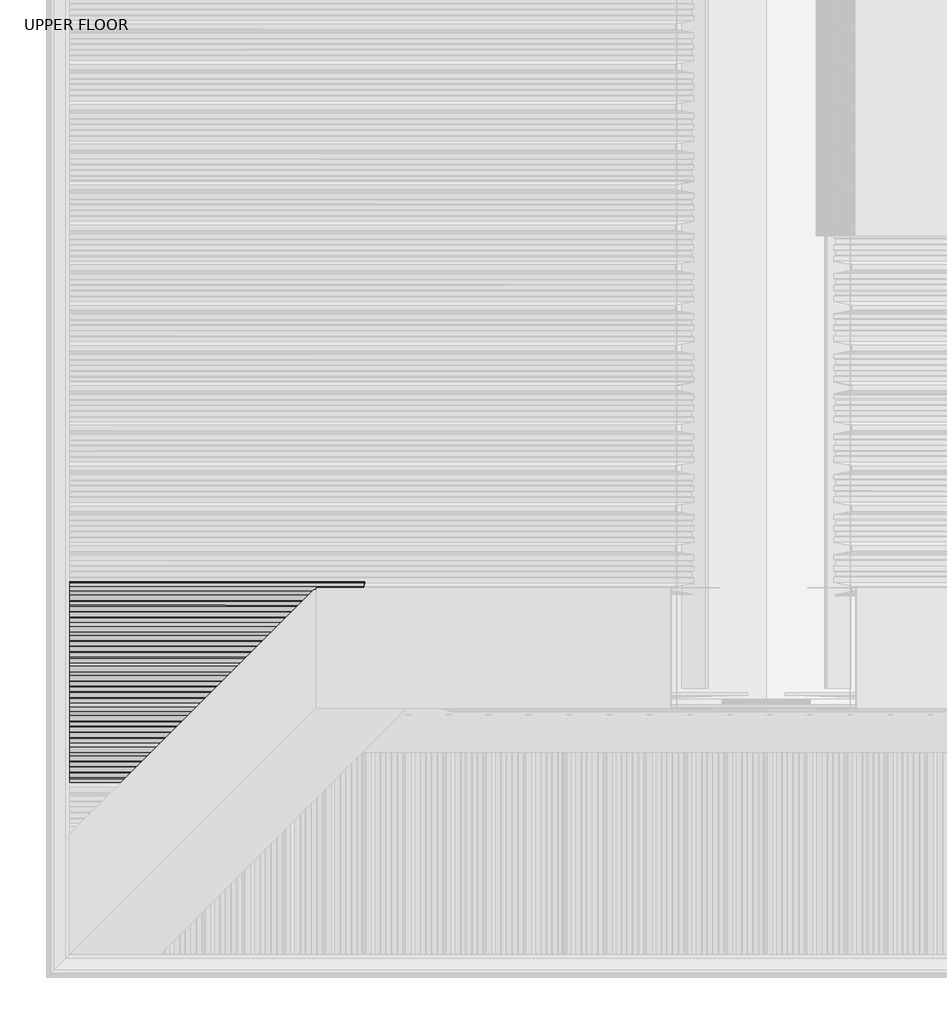
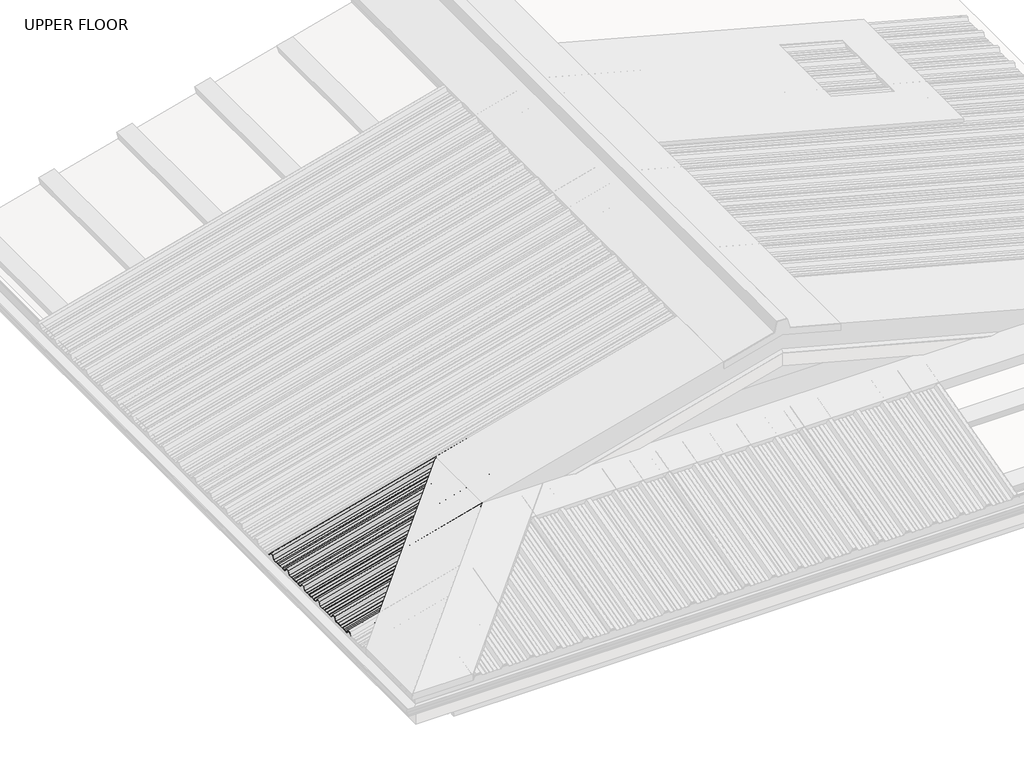
# One storey, part 3 of 18: 1 beam.
"""IFC4 building model written with IfcOpenShell, lengths in millimetres."""

from ifc_helpers import new_model, si_unit, frame, origin, place, context, project, spatial, circle_curve, ellipse_curve, element, save
from ifc_brep_helpers import plane_surface, cylinder_surface, advanced_brep

model = new_model("IFC4")

# Units and contexts
model_context = context("Model", 3, world=origin())
ifc_project = project(units=[si_unit("LENGTHUNIT", "METRE", prefix="MILLI")], contexts=[model_context])

# Site, building, storey
site = spatial("IfcSite", under=ifc_project)
building = spatial("IfcBuilding", under=site)
storey = spatial("IfcBuildingStorey", under=building, Name="UPPER FLOOR", Elevation=2700.0)

# Beam
placement = place(None, origin())
element("IfcBeam", 1, at=placement, inside=storey, context=model_context, shape_type="AdvancedBrep", body=[
    advanced_brep(
    [(510.9826498, -3553.8599507, 3570.0442521), (510.4650117, -3549.7333487, 3571.9761038), (510.4650117, -3532.1265136, 3571.9761038), (510.9826498, -3528.8623496, 3570.0442521), (510.9826498, -3510.0893759, 3570.0442521), (510.4650117, -3507.0479174, 3571.9761038), (510.4650117, -3491.3821135, 3571.9761038), (510.9826498, -3488.3384716, 3570.0442521), (510.9826498, -3468.0160332, 3570.0442521), (506.323907, -3454.5166428, 3587.430917), (506.323907, -3435.5154236, 3587.430917), (510.9826498, -3422.0160332, 3570.0442521), (510.9826498, -3403.8599507, 3570.0442521), (510.4650117, -3399.7333487, 3571.9761038), (510.4650117, -3382.1265136, 3571.9761038), (510.9826498, -3378.8623496, 3570.0442521), (510.9826498, -3360.0893759, 3570.0442521), (510.4650117, -3357.0479174, 3571.9761038), (510.4650117, -3341.3821135, 3571.9761038), (510.9826498, -3338.3384716, 3570.0442521), (510.9826498, -3318.0160332, 3570.0442521), (506.323907, -3304.5166428, 3587.430917), (506.323907, -3285.5154236, 3587.430917), (510.4650117, -3273.5159654, 3571.9761038), (510.4650117, -3269.8426482, 3571.9761038), (510.2061927, -3269.8426482, 3572.9420296), (510.2061927, -3273.016575, 3572.9420296), (506.0650879, -3285.0160332, 3588.3968428), (506.0650879, -3305.0160332, 3588.3968428), (510.7238308, -3318.5154236, 3571.0101779), (510.7238308, -3338.0393206, 3571.0101779), (510.2061927, -3341.0829625, 3572.9420296), (510.2061927, -3357.3472479, 3572.9420296), (510.7238308, -3360.3887064, 3571.0101779), (510.7238308, -3378.5803543, 3571.0101779), (510.2061927, -3381.8445183, 3572.9420296), (510.2061927, -3399.9629086, 3572.9420296), (510.7238308, -3404.0895106, 3571.0101779), (510.7238308, -3421.5166428, 3571.0101779), (506.0650879, -3435.0160332, 3588.3968428), (506.0650879, -3455.0160332, 3588.3968428), (510.7238308, -3468.5154236, 3571.0101779), (510.7238308, -3488.0393206, 3571.0101779), (510.2061927, -3491.0829625, 3572.9420296), (510.2061927, -3507.3472479, 3572.9420296), (510.7238308, -3510.3887064, 3571.0101779), (510.7238308, -3528.5803543, 3571.0101779), (510.2061927, -3531.8445183, 3572.9420296), (510.2061927, -3549.9629086, 3572.9420296), (510.7238308, -3554.0895106, 3571.0101779), (510.7238308, -3555.9027405, 3571.0101779), (510.9826498, -3555.6439214, 3570.0442521), (212.7666205, -3853.8599507, 3490.1375079), (194.610538, -3872.0160332, 3485.2726003), (-592.3448479, -3872.0160332, 3274.4085401), (-592.3448479, -3853.8599507, 3274.4085401), (216.8932225, -3849.7333487, 3493.3137799), (-592.3448479, -3849.7333487, 3276.4790925), (234.5000576, -3832.1265136, 3498.0315172), (-592.3448479, -3832.1265136, 3276.4790925), (237.7642216, -3828.8623496, 3496.8355949), (-592.3448479, -3828.8623496, 3274.4085401), (256.5371953, -3810.0893759, 3501.8657981), (-592.3448479, -3810.0893759, 3274.4085401), (259.5786538, -3807.0479174, 3504.7513068), (-592.3448479, -3807.0479174, 3276.4790925), (275.2444577, -3791.3821135, 3508.9489463), (-592.3448479, -3791.3821135, 3276.4790925), (278.2880996, -3788.3384716, 3507.6939353), (-592.3448479, -3788.3384716, 3274.4085401), (298.610538, -3768.0160332, 3513.1393163), (-592.3448479, -3768.0160332, 3274.4085401), (312.1099284, -3754.5166428, 3535.3914383), (-592.3448479, -3754.5166428, 3293.0435114), (331.1111477, -3735.5154236, 3540.4827996), (-592.3448479, -3735.5154236, 3293.0435114), (344.610538, -3722.0160332, 3525.4649791), (-592.3448479, -3722.0160332, 3274.4085401), (362.7666205, -3703.8599507, 3530.3298868), (-592.3448479, -3703.8599507, 3274.4085401), (366.8932225, -3699.7333487, 3533.5061588), (-592.3448479, -3699.7333487, 3276.4790925), (384.5000576, -3682.1265136, 3538.2238961), (-592.3448479, -3682.1265136, 3276.4790925), (387.7642216, -3678.8623496, 3537.0279738), (-592.3448479, -3678.8623496, 3274.4085401), (406.5371953, -3660.0893759, 3542.0581769), (-592.3448479, -3660.0893759, 3274.4085401), (409.5786538, -3657.0479174, 3544.9436857), (-592.3448479, -3657.0479174, 3276.4790925), (425.2444577, -3641.3821135, 3549.1413251), (-592.3448479, -3641.3821135, 3276.4790925), (428.2880996, -3638.3384716, 3547.8863142), (-592.3448479, -3638.3384716, 3274.4085401), (448.610538, -3618.0160332, 3553.3316951), (-592.3448479, -3618.0160332, 3274.4085401), (462.1099284, -3604.5166428, 3575.5838171), (-592.3448479, -3604.5166428, 3293.0435114), (481.1111477, -3585.5154236, 3580.6751785), (-592.3448479, -3585.5154236, 3293.0435114), (494.610538, -3572.0160332, 3565.657358), (-592.3448479, -3572.0160332, 3274.4085401), (-592.3448479, -3553.8599507, 3274.4085401), (-592.3448479, -3549.7333487, 3276.4790925), (-592.3448479, -3532.1265136, 3276.4790925), (-592.3448479, -3528.8623496, 3274.4085401), (-592.3448479, -3510.0893759, 3274.4085401), (-592.3448479, -3507.0479174, 3276.4790925), (-592.3448479, -3491.3821135, 3276.4790925), (-592.3448479, -3488.3384716, 3274.4085401), (-592.3448479, -3468.0160332, 3274.4085401), (-592.3448479, -3454.5166428, 3293.0435114), (-592.3448479, -3435.5154236, 3293.0435114), (-592.3448479, -3422.0160332, 3274.4085401), (-592.3448479, -3403.8599507, 3274.4085401), (-592.3448479, -3399.7333487, 3276.4790925), (-592.3448479, -3382.1265136, 3276.4790925), (-592.3448479, -3378.8623496, 3274.4085401), (-592.3448479, -3360.0893759, 3274.4085401), (-592.3448479, -3357.0479174, 3276.4790925), (-592.3448479, -3341.3821135, 3276.4790925), (-592.3448479, -3338.3384716, 3274.4085401), (-592.3448479, -3318.0160332, 3274.4085401), (-592.3448479, -3304.5166428, 3293.0435114), (-592.3448479, -3285.5154236, 3293.0435114), (-592.3448479, -3273.5159654, 3276.4790925), (-592.3448479, -3269.8426482, 3276.4790925), (-592.3448479, -3269.8426482, 3277.5143687), (-592.3448479, -3273.016575, 3277.5143687), (-592.3448479, -3285.0160332, 3294.0787875), (-592.3448479, -3305.0160332, 3294.0787875), (-592.3448479, -3318.5154236, 3275.4438163), (-592.3448479, -3338.0393206, 3275.4438163), (-592.3448479, -3341.0829625, 3277.5143687), (-592.3448479, -3357.3472479, 3277.5143687), (-592.3448479, -3360.3887064, 3275.4438163), (-592.3448479, -3378.5803543, 3275.4438163), (-592.3448479, -3381.8445183, 3277.5143687), (-592.3448479, -3399.9629086, 3277.5143687), (-592.3448479, -3404.0895106, 3275.4438163), (-592.3448479, -3421.5166428, 3275.4438163), (-592.3448479, -3435.0160332, 3294.0787875), (-592.3448479, -3455.0160332, 3294.0787875), (-592.3448479, -3468.5154236, 3275.4438163), (-592.3448479, -3488.0393206, 3275.4438163), (-592.3448479, -3491.0829625, 3277.5143687), (-592.3448479, -3507.3472479, 3277.5143687), (-592.3448479, -3510.3887064, 3275.4438163), (-592.3448479, -3528.5803543, 3275.4438163), (-592.3448479, -3531.8445183, 3277.5143687), (-592.3448479, -3549.9629086, 3277.5143687), (-592.3448479, -3554.0895106, 3275.4438163), (-592.3448479, -3571.5166428, 3275.4438163), (495.1099284, -3571.5166428, 3566.8264454), (481.610538, -3585.0160332, 3581.8442659), (-592.3448479, -3585.0160332, 3294.0787875), (461.610538, -3605.0160332, 3576.4852821), (-592.3448479, -3605.0160332, 3294.0787875), (448.1111477, -3618.5154236, 3554.2331601), (-592.3448479, -3618.5154236, 3275.4438163), (428.5872506, -3638.0393206, 3549.0017476), (-592.3448479, -3638.0393206, 3275.4438163), (425.5436087, -3641.0829625, 3550.2567586), (-592.3448479, -3641.0829625, 3277.5143687), (409.2793233, -3657.3472479, 3545.8987565), (-592.3448479, -3657.3472479, 3277.5143687), (406.2378648, -3660.3887064, 3543.0132478), (-592.3448479, -3660.3887064, 3275.4438163), (388.0462169, -3678.5803543, 3538.1388104), (-592.3448479, -3678.5803543, 3275.4438163), (384.7820529, -3681.8445183, 3539.3347326), (-592.3448479, -3681.8445183, 3277.5143687), (366.6636626, -3699.9629086, 3534.4799246), (-592.3448479, -3699.9629086, 3277.5143687), (362.5370606, -3704.0895106, 3531.3036526), (-592.3448479, -3704.0895106, 3275.4438163), (345.1099284, -3721.5166428, 3526.6340666), (-592.3448479, -3721.5166428, 3275.4438163), (331.610538, -3735.0160332, 3541.6518871), (-592.3448479, -3735.0160332, 3294.0787875), (311.610538, -3755.0160332, 3536.2929032), (-592.3448479, -3755.0160332, 3294.0787875), (298.1111477, -3768.5154236, 3514.0407812), (-592.3448479, -3768.5154236, 3275.4438163), (278.5872506, -3788.0393206, 3508.8093688), (-592.3448479, -3788.0393206, 3275.4438163), (275.5436087, -3791.0829625, 3510.0643797), (-592.3448479, -3791.0829625, 3277.5143687), (259.2793233, -3807.3472479, 3505.7063776), (-592.3448479, -3807.3472479, 3277.5143687), (256.2378648, -3810.3887064, 3502.8208689), (-592.3448479, -3810.3887064, 3275.4438163), (238.0462169, -3828.5803543, 3497.9464315), (-592.3448479, -3828.5803543, 3275.4438163), (234.7820529, -3831.8445183, 3499.1423538), (-592.3448479, -3831.8445183, 3277.5143687), (216.6636626, -3849.9629086, 3494.2875457), (-592.3448479, -3849.9629086, 3277.5143687), (212.5370606, -3854.0895106, 3491.1112737), (-592.3448479, -3854.0895106, 3275.4438163), (195.1099284, -3871.5166428, 3486.4416877), (-592.3448479, -3871.5166428, 3275.4438163), (181.610538, -3885.0160332, 3501.4595082), (-592.3448479, -3885.0160332, 3294.0787875), (161.610538, -3905.0160332, 3496.1005243), (-592.3448479, -3905.0160332, 3294.0787875), (148.1111477, -3918.5154236, 3473.8484023), (-592.3448479, -3918.5154236, 3275.4438163), (128.5872506, -3938.0393206, 3468.6169899), (-592.3448479, -3938.0393206, 3275.4438163), (125.5436087, -3941.0829625, 3469.8720009), (-592.3448479, -3941.0829625, 3277.5143687), (109.2793233, -3957.3472479, 3465.5139987), (-592.3448479, -3957.3472479, 3277.5143687), (106.2378648, -3960.3887064, 3462.62849), (-592.3448479, -3960.3887064, 3275.4438163), (88.0462169, -3978.5803543, 3457.7540526), (-592.3448479, -3978.5803543, 3275.4438163), (84.7820529, -3981.8445183, 3458.9499749), (-592.3448479, -3981.8445183, 3277.5143687), (66.6636626, -3999.9629086, 3454.0951669), (-592.3448479, -3999.9629086, 3277.5143687), (62.5370606, -4004.0895106, 3450.9188948), (-592.3448479, -4004.0895106, 3275.4438163), (42.6099691, -4024.0166021, 3445.5794467), (-592.3448479, -4024.0166021, 3275.4438163), (30.610511, -4036.0160603, 3458.9286205), (-592.3448479, -4036.0160603, 3292.0082352), (12.6105651, -4054.0160061, 3454.1055496), (-592.3448479, -4054.0160061, 3292.0082352), (181.1111477, -3885.5154236, 3500.2904208), (-592.3448479, -3885.5154236, 3293.0435114), (0.9532948, -4065.6732765, 3434.8899409), (-592.3448479, -4065.6732765, 3275.9161827), (1.7529089, -4064.8736623, 3434.4833588), (-592.3448479, -4064.8736623, 3275.2953446), (13.1099555, -4053.5166157, 3453.2040846), (-592.3448479, -4053.5166157, 3290.972959), (30.1111206, -4036.5154506, 3457.7595331), (-592.3448479, -4036.5154506, 3290.972959), (42.1105787, -4024.5159925, 3444.4103593), (-592.3448479, -4024.5159925, 3274.4085401), (62.7666205, -4003.8599507, 3449.945129), (-592.3448479, -4003.8599507, 3274.4085401), (66.8932225, -3999.7333487, 3453.1214011), (-592.3448479, -3999.7333487, 3276.4790925), (84.5000576, -3982.1265136, 3457.8391383), (-592.3448479, -3982.1265136, 3276.4790925), (87.7642216, -3978.8623496, 3456.6432161), (-592.3448479, -3978.8623496, 3274.4085401), (106.5371953, -3960.0893759, 3461.6734192), (-592.3448479, -3960.0893759, 3274.4085401), (109.5786538, -3957.0479174, 3464.5589279), (-592.3448479, -3957.0479174, 3276.4790925), (125.2444577, -3941.3821135, 3468.7565674), (-592.3448479, -3941.3821135, 3276.4790925), (128.2880996, -3938.3384716, 3467.5015564), (-592.3448479, -3938.3384716, 3274.4085401), (148.610538, -3918.0160332, 3472.9469374), (-592.3448479, -3918.0160332, 3274.4085401), (162.1099284, -3904.5166428, 3495.1990594), (-592.3448479, -3904.5166428, 3293.0435114)],
    [
        (0, 1),
        (1, 2),
        (2, 3),
        (3, 4),
        (4, 5),
        (5, 6),
        (6, 7),
        (7, 8),
        (8, 9),
        (9, 10),
        (10, 11),
        (11, 12),
        (12, 13),
        (13, 14),
        (14, 15),
        (15, 16),
        (16, 17),
        (17, 18),
        (18, 19),
        (19, 20),
        (20, 21),
        (21, 22),
        (22, 23),
        (23, 24),
        (24, 25, circle_curve(frame((510.3356022, -3269.8426482, 3572.4590667), z_axis=(0.9659258262890683, 0.0, 0.2588190451025208), x_axis=(0.0, 1.0, 0.0)), 0.5)),
        (25, 26),
        (26, 27),
        (27, 28),
        (28, 29),
        (29, 30),
        (30, 31),
        (31, 32),
        (32, 33),
        (33, 34),
        (34, 35),
        (35, 36),
        (36, 37),
        (37, 38),
        (38, 39),
        (39, 40),
        (40, 41),
        (41, 42),
        (42, 43),
        (43, 44),
        (44, 45),
        (45, 46),
        (46, 47),
        (47, 48),
        (48, 49),
        (49, 50),
        (50, 51),
        (51, 0),
        (52, 53),
        (53, 54),
        (54, 55),
        (55, 52),
        (56, 52),
        (55, 57),
        (57, 56),
        (58, 56),
        (57, 59),
        (59, 58),
        (60, 58),
        (59, 61),
        (61, 60),
        (62, 60),
        (61, 63),
        (63, 62),
        (64, 62),
        (63, 65),
        (65, 64),
        (66, 64),
        (65, 67),
        (67, 66),
        (68, 66),
        (67, 69),
        (69, 68),
        (70, 68),
        (69, 71),
        (71, 70),
        (72, 70),
        (71, 73),
        (73, 72),
        (74, 72),
        (73, 75),
        (75, 74),
        (76, 74),
        (75, 77),
        (77, 76),
        (78, 76),
        (77, 79),
        (79, 78),
        (80, 78),
        (79, 81),
        (81, 80),
        (82, 80),
        (81, 83),
        (83, 82),
        (84, 82),
        (83, 85),
        (85, 84),
        (86, 84),
        (85, 87),
        (87, 86),
        (88, 86),
        (87, 89),
        (89, 88),
        (90, 88),
        (89, 91),
        (91, 90),
        (92, 90),
        (91, 93),
        (93, 92),
        (94, 92),
        (93, 95),
        (95, 94),
        (96, 94),
        (95, 97),
        (97, 96),
        (98, 96),
        (97, 99),
        (99, 98),
        (100, 98),
        (99, 101),
        (101, 100),
        (51, 100),
        (101, 102),
        (102, 0),
        (102, 103),
        (103, 1),
        (103, 104),
        (104, 2),
        (104, 105),
        (105, 3),
        (105, 106),
        (106, 4),
        (106, 107),
        (107, 5),
        (107, 108),
        (108, 6),
        (108, 109),
        (109, 7),
        (109, 110),
        (110, 8),
        (110, 111),
        (111, 9),
        (111, 112),
        (112, 10),
        (112, 113),
        (113, 11),
        (113, 114),
        (114, 12),
        (114, 115),
        (115, 13),
        (115, 116),
        (116, 14),
        (116, 117),
        (117, 15),
        (117, 118),
        (118, 16),
        (118, 119),
        (119, 17),
        (119, 120),
        (120, 18),
        (120, 121),
        (121, 19),
        (121, 122),
        (122, 20),
        (122, 123),
        (123, 21),
        (123, 124),
        (124, 22),
        (124, 125),
        (125, 23),
        (125, 126),
        (126, 24),
        (126, 127, ellipse_curve(frame((-592.3448479, -3269.8426482, 3276.9967306), z_axis=(1.0, 0.0, 0.0), x_axis=(0.0, 0.0, 1.0)), 0.5176381, 0.5)),
        (127, 25),
        (127, 128),
        (128, 26),
        (128, 129),
        (129, 27),
        (129, 130),
        (130, 28),
        (130, 131),
        (131, 29),
        (131, 132),
        (132, 30),
        (132, 133),
        (133, 31),
        (133, 134),
        (134, 32),
        (134, 135),
        (135, 33),
        (135, 136),
        (136, 34),
        (136, 137),
        (137, 35),
        (137, 138),
        (138, 36),
        (138, 139),
        (139, 37),
        (139, 140),
        (140, 38),
        (140, 141),
        (141, 39),
        (141, 142),
        (142, 40),
        (142, 143),
        (143, 41),
        (143, 144),
        (144, 42),
        (144, 145),
        (145, 43),
        (145, 146),
        (146, 44),
        (146, 147),
        (147, 45),
        (147, 148),
        (148, 46),
        (148, 149),
        (149, 47),
        (149, 150),
        (150, 48),
        (150, 151),
        (151, 49),
        (151, 152),
        (152, 153),
        (153, 50),
        (154, 153),
        (152, 155),
        (155, 154),
        (156, 154),
        (155, 157),
        (157, 156),
        (158, 156),
        (157, 159),
        (159, 158),
        (160, 158),
        (159, 161),
        (161, 160),
        (162, 160),
        (161, 163),
        (163, 162),
        (164, 162),
        (163, 165),
        (165, 164),
        (166, 164),
        (165, 167),
        (167, 166),
        (168, 166),
        (167, 169),
        (169, 168),
        (170, 168),
        (169, 171),
        (171, 170),
        (172, 170),
        (171, 173),
        (173, 172),
        (174, 172),
        (173, 175),
        (175, 174),
        (176, 174),
        (175, 177),
        (177, 176),
        (178, 176),
        (177, 179),
        (179, 178),
        (180, 178),
        (179, 181),
        (181, 180),
        (182, 180),
        (181, 183),
        (183, 182),
        (184, 182),
        (183, 185),
        (185, 184),
        (186, 184),
        (185, 187),
        (187, 186),
        (188, 186),
        (187, 189),
        (189, 188),
        (190, 188),
        (189, 191),
        (191, 190),
        (192, 190),
        (191, 193),
        (193, 192),
        (194, 192),
        (193, 195),
        (195, 194),
        (196, 194),
        (195, 197),
        (197, 196),
        (198, 196),
        (197, 199),
        (199, 198),
        (200, 198),
        (199, 201),
        (201, 200),
        (202, 200),
        (201, 203),
        (203, 202),
        (204, 202),
        (203, 205),
        (205, 204),
        (206, 204),
        (205, 207),
        (207, 206),
        (208, 206),
        (207, 209),
        (209, 208),
        (210, 208),
        (209, 211),
        (211, 210),
        (212, 210),
        (211, 213),
        (213, 212),
        (214, 212),
        (213, 215),
        (215, 214),
        (216, 214),
        (215, 217),
        (217, 216),
        (218, 216),
        (217, 219),
        (219, 218),
        (220, 218),
        (219, 221),
        (221, 220),
        (222, 220),
        (221, 223),
        (223, 222),
        (224, 222),
        (223, 225),
        (225, 224),
        (226, 224),
        (225, 227),
        (227, 226),
        (228, 226),
        (227, 229),
        (229, 228),
        (53, 230),
        (230, 231),
        (231, 54),
        (232, 228),
        (229, 233),
        (233, 232),
        (234, 232, ellipse_curve(frame((1.3531018, -4065.2734694, 3434.6866499), z_axis=(-0.7071067811865475, 0.7071067811865476, 0.0), x_axis=(0.6612248329466448, 0.6612248329466447, 0.3543493200069156)), 0.7316859, 0.4997507)),
        (233, 235, ellipse_curve(frame((-592.3448479, -4065.2734694, 3275.6057637), z_axis=(1.0, 0.0, 0.0), x_axis=(0.0, 0.0, 1.0)), 0.51738, 0.4997507)),
        (235, 234),
        (236, 234),
        (235, 237),
        (237, 236),
        (238, 236),
        (237, 239),
        (239, 238),
        (240, 238),
        (239, 241),
        (241, 240),
        (242, 240),
        (241, 243),
        (243, 242),
        (244, 242),
        (243, 245),
        (245, 244),
        (246, 244),
        (245, 247),
        (247, 246),
        (248, 246),
        (247, 249),
        (249, 248),
        (250, 248),
        (249, 251),
        (251, 250),
        (252, 250),
        (251, 253),
        (253, 252),
        (254, 252),
        (253, 255),
        (255, 254),
        (256, 254),
        (255, 257),
        (257, 256),
        (258, 256),
        (257, 259),
        (259, 258),
        (260, 258),
        (259, 261),
        (261, 260),
        (230, 260),
        (261, 231),
    ],
    [
        plane_surface(frame((506.323907, -3885.5154236, 3587.430917), z_axis=(0.9659258262890683, 0.0, 0.25881904510252085), x_axis=(0.2070586020545867, 0.5999826594493568, -0.7727532230118989))),
        plane_surface(frame((510.9826498, -3872.0160332, 3570.0442521), z_axis=(0.2588190451025208, 0.0, -0.9659258262890683), x_axis=(-0.9659258262890683, 0.0, -0.2588190451025208))),
        plane_surface(frame((510.9826498, -3853.8599507, 3570.0442521), z_axis=(0.2329062346857397, 0.43613636169978626, -0.8692179012467383), x_axis=(-0.9659258262890683, 0.0, -0.2588190451025208))),
        plane_surface(frame((510.4650117, -3849.7333487, 3571.9761038), z_axis=(0.2588190451025208, 0.0, -0.9659258262890683), x_axis=(-0.9659258262890683, 0.0, -0.2588190451025208))),
        plane_surface(frame((510.4650117, -3832.1265136, 3571.9761038), z_axis=(0.22068801492462875, -0.5224449573493034, -0.8236188843202367), x_axis=(-0.9659258262890683, 0.0, -0.2588190451025208))),
        plane_surface(frame((510.9826498, -3828.8623496, 3570.0442521), z_axis=(0.2588190451025208, 0.0, -0.9659258262890683), x_axis=(-0.9659258262890683, 0.0, -0.2588190451025208))),
        plane_surface(frame((510.9826498, -3810.0893759, 3570.0442521), z_axis=(0.21625317242009753, 0.5494325148836681, -0.8070678267697529), x_axis=(-0.9659258262890683, 0.0, -0.2588190451025208))),
        plane_surface(frame((510.4650117, -3807.0479174, 3571.9761038), z_axis=(0.2588190451025208, 0.0, -0.9659258262890683), x_axis=(-0.9659258262890683, 0.0, -0.2588190451025208))),
        plane_surface(frame((510.4650117, -3791.3821135, 3571.9761038), z_axis=(0.21630000128988636, -0.5491572662555927, -0.8072425944910732), x_axis=(-0.9659258262890683, 0.0, -0.2588190451025208))),
        plane_surface(frame((510.9826498, -3788.3384716, 3570.0442521), z_axis=(0.2588190451025208, 0.0, -0.9659258262890683), x_axis=(-0.9659258262890683, 0.0, -0.2588190451025208))),
        plane_surface(frame((510.9826498, -3768.0160332, 3570.0442521), z_axis=(0.1552869389967556, 0.8000130051193377, -0.5795387460877353), x_axis=(-0.9659258262890683, 0.0, -0.2588190451025208))),
        plane_surface(frame((506.323907, -3754.5166428, 3587.430917), z_axis=(0.2588190451025208, 0.0, -0.9659258262890683), x_axis=(-0.9659258262890683, 0.0, -0.2588190451025208))),
        plane_surface(frame((506.323907, -3735.5154236, 3587.430917), z_axis=(0.15528693899675192, -0.8000130051193405, -0.5795387460877326), x_axis=(-0.9659258262890683, 0.0, -0.2588190451025208))),
        plane_surface(frame((510.9826498, -3722.0160332, 3570.0442521), z_axis=(0.2588190451025208, 0.0, -0.9659258262890683), x_axis=(-0.9659258262890683, 0.0, -0.2588190451025208))),
        plane_surface(frame((510.9826498, -3703.8599507, 3570.0442521), z_axis=(0.23290623468574032, 0.43613636169978187, -0.8692179012467404), x_axis=(-0.9659258262890683, 0.0, -0.2588190451025208))),
        plane_surface(frame((510.4650117, -3699.7333487, 3571.9761038), z_axis=(0.2588190451025208, 0.0, -0.9659258262890683), x_axis=(-0.9659258262890683, 0.0, -0.2588190451025208))),
        plane_surface(frame((510.4650117, -3682.1265136, 3571.9761038), z_axis=(0.22068801492462992, -0.5224449573492964, -0.8236188843202409), x_axis=(-0.9659258262890683, 0.0, -0.2588190451025208))),
        plane_surface(frame((510.9826498, -3678.8623496, 3570.0442521), z_axis=(0.2588190451025208, 0.0, -0.9659258262890683), x_axis=(-0.9659258262890683, 0.0, -0.2588190451025208))),
        plane_surface(frame((510.9826498, -3660.0893759, 3570.0442521), z_axis=(0.216253172420099, 0.5494325148836594, -0.8070678267697583), x_axis=(-0.9659258262890683, 0.0, -0.2588190451025208))),
        plane_surface(frame((510.4650117, -3657.0479174, 3571.9761038), z_axis=(0.2588190451025208, 0.0, -0.9659258262890683), x_axis=(-0.9659258262890683, 0.0, -0.2588190451025208))),
        plane_surface(frame((510.4650117, -3641.3821135, 3571.9761038), z_axis=(0.21630000128988633, -0.5491572662555927, -0.8072425944910732), x_axis=(-0.9659258262890683, 0.0, -0.2588190451025208))),
        plane_surface(frame((510.9826498, -3638.3384716, 3570.0442521), z_axis=(0.2588190451025208, 0.0, -0.9659258262890683), x_axis=(-0.9659258262890683, 0.0, -0.2588190451025208))),
        plane_surface(frame((510.9826498, -3618.0160332, 3570.0442521), z_axis=(0.155286938996756, 0.8000130051193365, -0.5795387460877367), x_axis=(-0.9659258262890683, 0.0, -0.2588190451025208))),
        plane_surface(frame((506.323907, -3604.5166428, 3587.430917), z_axis=(0.2588190451025208, 0.0, -0.9659258262890683), x_axis=(-0.9659258262890683, 0.0, -0.2588190451025208))),
        plane_surface(frame((506.323907, -3585.5154236, 3587.430917), z_axis=(0.1552869389967512, -0.8000130051193425, -0.5795387460877299), x_axis=(-0.9659258262890683, 0.0, -0.2588190451025208))),
        plane_surface(frame((510.9826498, -3572.0160332, 3570.0442521), z_axis=(0.2588190451025208, 0.0, -0.9659258262890683), x_axis=(-0.9659258262890683, 0.0, -0.2588190451025208))),
        plane_surface(frame((510.9826498, -3553.8599507, 3570.0442521), z_axis=(0.23290623468573918, 0.43613636169979064, -0.8692179012467363), x_axis=(-0.9659258262890683, 0.0, -0.2588190451025208))),
        plane_surface(frame((510.4650117, -3549.7333487, 3571.9761038), z_axis=(0.2588190451025208, 0.0, -0.9659258262890683), x_axis=(-0.9659258262890683, 0.0, -0.2588190451025208))),
        plane_surface(frame((510.4650117, -3532.1265136, 3571.9761038), z_axis=(0.2206880149246294, -0.5224449573492995, -0.823618884320239), x_axis=(-0.9659258262890683, 0.0, -0.2588190451025208))),
        plane_surface(frame((510.9826498, -3528.8623496, 3570.0442521), z_axis=(0.2588190451025208, 0.0, -0.9659258262890683), x_axis=(-0.9659258262890683, 0.0, -0.2588190451025208))),
        plane_surface(frame((510.9826498, -3510.0893759, 3570.0442521), z_axis=(0.21625317242009753, 0.5494325148836681, -0.8070678267697529), x_axis=(-0.9659258262890683, 0.0, -0.2588190451025208))),
        plane_surface(frame((510.4650117, -3507.0479174, 3571.9761038), z_axis=(0.2588190451025208, 0.0, -0.9659258262890683), x_axis=(-0.9659258262890683, 0.0, -0.2588190451025208))),
        plane_surface(frame((510.4650117, -3491.3821135, 3571.9761038), z_axis=(0.21630000128988636, -0.5491572662555927, -0.8072425944910732), x_axis=(-0.9659258262890683, 0.0, -0.2588190451025208))),
        plane_surface(frame((510.9826498, -3488.3384716, 3570.0442521), z_axis=(0.2588190451025208, 0.0, -0.9659258262890683), x_axis=(-0.9659258262890683, 0.0, -0.2588190451025208))),
        plane_surface(frame((510.9826498, -3468.0160332, 3570.0442521), z_axis=(0.15528693899675552, 0.8000130051193381, -0.579538746087735), x_axis=(-0.9659258262890683, 0.0, -0.2588190451025208))),
        plane_surface(frame((506.323907, -3454.5166428, 3587.430917), z_axis=(0.25881904510252085, 0.0, -0.9659258262890683), x_axis=(-0.9659258262890683, 0.0, -0.25881904510252085))),
        plane_surface(frame((506.323907, -3435.5154236, 3587.430917), z_axis=(0.15528693899675183, -0.8000130051193408, -0.579538746087732), x_axis=(-0.9659258262890683, 0.0, -0.2588190451025208))),
        plane_surface(frame((510.9826498, -3422.0160332, 3570.0442521), z_axis=(0.2588190451025208, 0.0, -0.9659258262890683), x_axis=(-0.9659258262890683, 0.0, -0.2588190451025208))),
        plane_surface(frame((510.9826498, -3403.8599507, 3570.0442521), z_axis=(0.23290623468573776, 0.4361363616998018, -0.8692179012467309), x_axis=(-0.9659258262890683, 0.0, -0.2588190451025208))),
        plane_surface(frame((510.4650117, -3399.7333487, 3571.9761038), z_axis=(0.2588190451025208, 0.0, -0.9659258262890683), x_axis=(-0.9659258262890683, 0.0, -0.2588190451025208))),
        plane_surface(frame((510.4650117, -3382.1265136, 3571.9761038), z_axis=(0.22068801492462525, -0.5224449573493257, -0.8236188843202236), x_axis=(-0.9659258262890683, 0.0, -0.2588190451025208))),
        plane_surface(frame((510.9826498, -3378.8623496, 3570.0442521), z_axis=(0.2588190451025208, 0.0, -0.9659258262890683), x_axis=(-0.9659258262890683, 0.0, -0.2588190451025208))),
        plane_surface(frame((510.9826498, -3360.0893759, 3570.0442521), z_axis=(0.21625317242009234, 0.5494325148836985, -0.8070678267697334), x_axis=(-0.9659258262890683, 0.0, -0.2588190451025208))),
        plane_surface(frame((510.4650117, -3357.0479174, 3571.9761038), z_axis=(0.2588190451025208, 0.0, -0.9659258262890683), x_axis=(-0.9659258262890683, 0.0, -0.2588190451025208))),
        plane_surface(frame((510.4650117, -3341.3821135, 3571.9761038), z_axis=(0.21630000128988258, -0.5491572662556147, -0.8072425944910592), x_axis=(-0.9659258262890683, 0.0, -0.2588190451025208))),
        plane_surface(frame((510.9826498, -3338.3384716, 3570.0442521), z_axis=(0.2588190451025208, 0.0, -0.9659258262890683), x_axis=(-0.9659258262890683, 0.0, -0.2588190451025208))),
        plane_surface(frame((510.9826498, -3318.0160332, 3570.0442521), z_axis=(0.15528693899675491, 0.8000130051193397, -0.5795387460877327), x_axis=(-0.9659258262890683, 0.0, -0.2588190451025208))),
        plane_surface(frame((506.323907, -3304.5166428, 3587.430917), z_axis=(0.2588190451025208, 0.0, -0.9659258262890683), x_axis=(-0.9659258262890683, 0.0, -0.2588190451025208))),
        plane_surface(frame((506.323907, -3285.5154236, 3587.430917), z_axis=(0.15528693899675175, -0.800013005119341, -0.5795387460877317), x_axis=(-0.9659258262890683, 0.0, -0.2588190451025208))),
        plane_surface(frame((510.4650117, -3273.5159654, 3571.9761038), z_axis=(0.2588190451025208, 0.0, -0.9659258262890683), x_axis=(-0.9659258262890683, 0.0, -0.2588190451025208))),
        cylinder_surface(frame((-605.4065742, -3269.8426482, 3273.4968516), z_axis=(0.9659258262890683, 0.0, 0.2588190451025208), x_axis=(0.0, 1.0, 0.0)), 0.5),
        plane_surface(frame((510.2061927, -3269.8426482, 3572.9420296), z_axis=(-0.2588190451025208, 0.0, 0.9659258262890683), x_axis=(-0.9659258262890683, 0.0, -0.2588190451025208))),
        plane_surface(frame((510.2061927, -3273.016575, 3572.9420296), z_axis=(-0.1552869389967517, 0.8000130051193411, 0.5795387460877315), x_axis=(-0.9659258262890683, 0.0, -0.2588190451025208))),
        plane_surface(frame((506.0650879, -3285.0160332, 3588.3968428), z_axis=(-0.2588190451025208, 0.0, 0.9659258262890683), x_axis=(-0.9659258262890683, 0.0, -0.2588190451025208))),
        plane_surface(frame((506.0650879, -3305.0160332, 3588.3968428), z_axis=(-0.15528693899675505, -0.8000130051193396, 0.5795387460877331), x_axis=(-0.9659258262890683, 0.0, -0.2588190451025208))),
        plane_surface(frame((510.7238308, -3318.5154236, 3571.0101779), z_axis=(-0.2588190451025208, 0.0, 0.9659258262890683), x_axis=(-0.9659258262890683, 0.0, -0.2588190451025208))),
        plane_surface(frame((510.7238308, -3338.0393206, 3571.0101779), z_axis=(-0.21630000128988924, 0.5491572662555757, 0.807242594491084), x_axis=(-0.9659258262890683, 0.0, -0.2588190451025208))),
        plane_surface(frame((510.2061927, -3341.0829625, 3572.9420296), z_axis=(-0.2588190451025208, 0.0, 0.9659258262890683), x_axis=(-0.9659258262890683, 0.0, -0.2588190451025208))),
        plane_surface(frame((510.2061927, -3357.3472479, 3572.9420296), z_axis=(-0.21625317242009953, -0.5494325148836561, 0.8070678267697603), x_axis=(-0.9659258262890683, 0.0, -0.2588190451025208))),
        plane_surface(frame((510.7238308, -3360.3887064, 3571.0101779), z_axis=(-0.2588190451025208, 0.0, 0.9659258262890683), x_axis=(-0.9659258262890683, 0.0, -0.2588190451025208))),
        plane_surface(frame((510.7238308, -3378.5803543, 3571.0101779), z_axis=(-0.22068801492462778, 0.5224449573493097, 0.823618884320233), x_axis=(-0.9659258262890683, 0.0, -0.2588190451025208))),
        plane_surface(frame((510.2061927, -3381.8445183, 3572.9420296), z_axis=(-0.2588190451025208, 0.0, 0.9659258262890683), x_axis=(-0.9659258262890683, 0.0, -0.2588190451025208))),
        plane_surface(frame((510.2061927, -3399.9629086, 3572.9420296), z_axis=(-0.23290623468573834, -0.43613636169979736, 0.869217901246733), x_axis=(-0.9659258262890683, 0.0, -0.2588190451025208))),
        plane_surface(frame((510.7238308, -3404.0895106, 3571.0101779), z_axis=(-0.2588190451025208, 0.0, 0.9659258262890683), x_axis=(-0.9659258262890683, 0.0, -0.2588190451025208))),
        plane_surface(frame((510.7238308, -3421.5166428, 3571.0101779), z_axis=(-0.1552869389967532, 0.8000130051193369, 0.579538746087737), x_axis=(-0.9659258262890683, 0.0, -0.2588190451025208))),
        plane_surface(frame((506.0650879, -3435.0160332, 3588.3968428), z_axis=(-0.2588190451025208, 0.0, 0.9659258262890683), x_axis=(-0.9659258262890683, 0.0, -0.2588190451025208))),
        plane_surface(frame((506.0650879, -3455.0160332, 3588.3968428), z_axis=(-0.15528693899675497, -0.8000130051193396, 0.5795387460877328), x_axis=(-0.9659258262890683, 0.0, -0.2588190451025208))),
        plane_surface(frame((510.7238308, -3468.5154236, 3571.0101779), z_axis=(-0.2588190451025208, 0.0, 0.9659258262890683), x_axis=(-0.9659258262890683, 0.0, -0.2588190451025208))),
        plane_surface(frame((510.7238308, -3488.0393206, 3571.0101779), z_axis=(-0.21630000128988688, 0.5491572662555895, 0.8072425944910753), x_axis=(-0.9659258262890683, 0.0, -0.2588190451025208))),
        plane_surface(frame((510.2061927, -3491.0829625, 3572.9420296), z_axis=(-0.2588190451025208, 0.0, 0.9659258262890683), x_axis=(-0.9659258262890683, 0.0, -0.2588190451025208))),
        plane_surface(frame((510.2061927, -3507.3472479, 3572.9420296), z_axis=(-0.21625317242009806, -0.5494325148836647, 0.8070678267697549), x_axis=(-0.9659258262890683, 0.0, -0.2588190451025208))),
        plane_surface(frame((510.7238308, -3510.3887064, 3571.0101779), z_axis=(-0.2588190451025208, 0.0, 0.9659258262890683), x_axis=(-0.9659258262890683, 0.0, -0.2588190451025208))),
        plane_surface(frame((510.7238308, -3528.5803543, 3571.0101779), z_axis=(-0.22068801492462867, 0.5224449573493042, 0.8236188843202363), x_axis=(-0.9659258262890683, 0.0, -0.2588190451025208))),
        plane_surface(frame((510.2061927, -3531.8445183, 3572.9420296), z_axis=(-0.2588190451025208, 0.0, 0.9659258262890683), x_axis=(-0.9659258262890683, 0.0, -0.2588190451025208))),
        plane_surface(frame((510.2061927, -3549.9629086, 3572.9420296), z_axis=(-0.2329062346857399, -0.43613636169978487, 0.8692179012467389), x_axis=(-0.9659258262890683, 0.0, -0.2588190451025208))),
        plane_surface(frame((510.7238308, -3554.0895106, 3571.0101779), z_axis=(-0.25881904510252085, 0.0, 0.9659258262890683), x_axis=(-0.9659258262890683, 0.0, -0.25881904510252085))),
        plane_surface(frame((510.7238308, -3571.5166428, 3571.0101779), z_axis=(-0.15528693899675225, 0.8000130051193397, 0.5795387460877337), x_axis=(-0.9659258262890683, 0.0, -0.2588190451025208))),
        plane_surface(frame((506.0650879, -3585.0160332, 3588.3968428), z_axis=(-0.2588190451025208, 0.0, 0.9659258262890683), x_axis=(-0.9659258262890683, 0.0, -0.2588190451025208))),
        plane_surface(frame((506.0650879, -3605.0160332, 3588.3968428), z_axis=(-0.15528693899675516, -0.8000130051193393, 0.5795387460877334), x_axis=(-0.9659258262890683, 0.0, -0.2588190451025208))),
        plane_surface(frame((510.7238308, -3618.5154236, 3571.0101779), z_axis=(-0.2588190451025208, 0.0, 0.9659258262890683), x_axis=(-0.9659258262890683, 0.0, -0.2588190451025208))),
        plane_surface(frame((510.7238308, -3638.0393206, 3571.0101779), z_axis=(-0.21630000128988686, 0.5491572662555895, 0.8072425944910753), x_axis=(-0.9659258262890683, 0.0, -0.2588190451025208))),
        plane_surface(frame((510.2061927, -3641.0829625, 3572.9420296), z_axis=(-0.2588190451025208, 0.0, 0.9659258262890683), x_axis=(-0.9659258262890683, 0.0, -0.2588190451025208))),
        plane_surface(frame((510.2061927, -3657.3472479, 3572.9420296), z_axis=(-0.21625317242009956, -0.5494325148836561, 0.8070678267697603), x_axis=(-0.9659258262890683, 0.0, -0.2588190451025208))),
        plane_surface(frame((510.7238308, -3660.3887064, 3571.0101779), z_axis=(-0.2588190451025208, 0.0, 0.9659258262890683), x_axis=(-0.9659258262890683, 0.0, -0.2588190451025208))),
        plane_surface(frame((510.7238308, -3678.5803543, 3571.0101779), z_axis=(-0.22068801492462953, 0.5224449573492987, 0.8236188843202396), x_axis=(-0.9659258262890683, 0.0, -0.2588190451025208))),
        plane_surface(frame((510.2061927, -3681.8445183, 3572.9420296), z_axis=(-0.2588190451025208, 0.0, 0.9659258262890683), x_axis=(-0.9659258262890683, 0.0, -0.2588190451025208))),
        plane_surface(frame((510.2061927, -3699.9629086, 3572.9420296), z_axis=(-0.2329062346857397, -0.4361363616997871, 0.8692179012467379), x_axis=(-0.9659258262890683, 0.0, -0.25881904510252085))),
        plane_surface(frame((510.7238308, -3704.0895106, 3571.0101779), z_axis=(-0.2588190451025208, 0.0, 0.9659258262890683), x_axis=(-0.9659258262890683, 0.0, -0.2588190451025208))),
        plane_surface(frame((510.7238308, -3721.5166428, 3571.0101779), z_axis=(-0.1552869389967524, 0.8000130051193394, 0.579538746087734), x_axis=(-0.9659258262890683, 0.0, -0.2588190451025208))),
        plane_surface(frame((506.0650879, -3735.0160332, 3588.3968428), z_axis=(-0.2588190451025208, 0.0, 0.9659258262890683), x_axis=(-0.9659258262890683, 0.0, -0.2588190451025208))),
        plane_surface(frame((506.0650879, -3755.0160332, 3588.3968428), z_axis=(-0.15528693899675514, -0.8000130051193395, 0.5795387460877334), x_axis=(-0.9659258262890683, 0.0, -0.2588190451025208))),
        plane_surface(frame((510.7238308, -3768.5154236, 3571.0101779), z_axis=(-0.2588190451025208, 0.0, 0.9659258262890683), x_axis=(-0.9659258262890683, 0.0, -0.2588190451025208))),
        plane_surface(frame((510.7238308, -3788.0393206, 3571.0101779), z_axis=(-0.21630000128988636, 0.5491572662555927, 0.8072425944910732), x_axis=(-0.9659258262890683, 0.0, -0.2588190451025208))),
        plane_surface(frame((510.2061927, -3791.0829625, 3572.9420296), z_axis=(-0.2588190451025208, 0.0, 0.9659258262890683), x_axis=(-0.9659258262890683, 0.0, -0.2588190451025208))),
        plane_surface(frame((510.2061927, -3807.3472479, 3572.9420296), z_axis=(-0.21625317242009753, -0.5494325148836681, 0.8070678267697529), x_axis=(-0.9659258262890683, 0.0, -0.2588190451025208))),
        plane_surface(frame((510.7238308, -3810.3887064, 3571.0101779), z_axis=(-0.2588190451025208, 0.0, 0.9659258262890683), x_axis=(-0.9659258262890683, 0.0, -0.2588190451025208))),
        plane_surface(frame((510.7238308, -3828.5803543, 3571.0101779), z_axis=(-0.22068801492462825, 0.5224449573493065, 0.8236188843202348), x_axis=(-0.9659258262890683, 0.0, -0.2588190451025208))),
        plane_surface(frame((510.2061927, -3831.8445183, 3572.9420296), z_axis=(-0.2588190451025208, 0.0, 0.9659258262890683), x_axis=(-0.9659258262890683, 0.0, -0.2588190451025208))),
        plane_surface(frame((510.2061927, -3849.9629086, 3572.9420296), z_axis=(-0.2329062346857399, -0.43613636169978476, 0.8692179012467389), x_axis=(-0.9659258262890683, 0.0, -0.2588190451025208))),
        plane_surface(frame((510.7238308, -3854.0895106, 3571.0101779), z_axis=(-0.2588190451025208, 0.0, 0.9659258262890683), x_axis=(-0.9659258262890683, 0.0, -0.2588190451025208))),
        plane_surface(frame((510.7238308, -3871.5166428, 3571.0101779), z_axis=(-0.15528693899675258, 0.8000130051193386, 0.5795387460877349), x_axis=(-0.9659258262890683, 0.0, -0.2588190451025208))),
        plane_surface(frame((506.0650879, -3885.0160332, 3588.3968428), z_axis=(-0.2588190451025208, 0.0, 0.9659258262890683), x_axis=(-0.9659258262890683, 0.0, -0.2588190451025208))),
        plane_surface(frame((506.0650879, -3905.0160332, 3588.3968428), z_axis=(-0.1552869389967554, -0.8000130051193384, 0.5795387460877345), x_axis=(-0.9659258262890683, 0.0, -0.2588190451025208))),
        plane_surface(frame((510.7238308, -3918.5154236, 3571.0101779), z_axis=(-0.2588190451025208, 0.0, 0.9659258262890683), x_axis=(-0.9659258262890683, 0.0, -0.2588190451025208))),
        plane_surface(frame((510.7238308, -3938.0393206, 3571.0101779), z_axis=(-0.21630000128988688, 0.5491572662555895, 0.8072425944910753), x_axis=(-0.9659258262890683, 0.0, -0.2588190451025208))),
        plane_surface(frame((510.2061927, -3941.0829625, 3572.9420296), z_axis=(-0.2588190451025208, 0.0, 0.9659258262890683), x_axis=(-0.9659258262890683, 0.0, -0.2588190451025208))),
        plane_surface(frame((510.2061927, -3957.3472479, 3572.9420296), z_axis=(-0.21625317242009806, -0.5494325148836647, 0.8070678267697549), x_axis=(-0.9659258262890683, 0.0, -0.2588190451025208))),
        plane_surface(frame((510.7238308, -3960.3887064, 3571.0101779), z_axis=(-0.2588190451025208, 0.0, 0.9659258262890683), x_axis=(-0.9659258262890683, 0.0, -0.2588190451025208))),
        plane_surface(frame((510.7238308, -3978.5803543, 3571.0101779), z_axis=(-0.22068801492462867, 0.5224449573493042, 0.8236188843202363), x_axis=(-0.9659258262890683, 0.0, -0.2588190451025208))),
        plane_surface(frame((510.2061927, -3981.8445183, 3572.9420296), z_axis=(-0.2588190451025208, 0.0, 0.9659258262890683), x_axis=(-0.9659258262890683, 0.0, -0.2588190451025208))),
        plane_surface(frame((510.2061927, -3999.9629086, 3572.9420296), z_axis=(-0.23290623468574007, -0.4361363616997833, 0.8692179012467396), x_axis=(-0.9659258262890683, 0.0, -0.2588190451025208))),
        plane_surface(frame((510.7238308, -4004.0895106, 3571.0101779), z_axis=(-0.2588190451025208, 0.0, 0.9659258262890683), x_axis=(-0.9659258262890683, 0.0, -0.2588190451025208))),
        plane_surface(frame((510.7238308, -4024.0166021, 3571.0101779), z_axis=(-0.15528693899675247, 0.8000130051193389, 0.5795387460877345), x_axis=(-0.9659258262890683, 0.0, -0.2588190451025208))),
        plane_surface(frame((506.582726, -4036.0160603, 3586.4649912), z_axis=(-0.2588190451025208, 0.0, 0.9659258262890683), x_axis=(-0.9659258262890683, 0.0, -0.2588190451025208))),
        plane_surface(frame((506.323907, -3885.5154236, 3587.430917), z_axis=(0.15528693899675206, -0.8000130051193401, -0.579538746087733), x_axis=(-0.9659258262890683, 0.0, -0.2588190451025208))),
        plane_surface(frame((506.582726, -4054.0160061, 3586.4649912), z_axis=(-0.15528693899675514, -0.8000130051193393, 0.5795387460877334), x_axis=(-0.9659258262890683, 0.0, -0.2588190451025208))),
        cylinder_surface(frame((-605.0588324, -4065.2734694, 3272.1990618), z_axis=(0.9659258262890683, 0.0, 0.2588190451025208), x_axis=(0.0, 1.0, 0.0)), 0.4997507),
        plane_surface(frame((510.7609487, -4064.8736623, 3570.871652), z_axis=(0.15528693899676435, 0.8000130051193125, -0.5795387460877678), x_axis=(-0.9659258262890683, 0.0, -0.2588190451025208))),
        plane_surface(frame((506.8415451, -4053.5166157, 3585.4990653), z_axis=(0.2588190451025208, 0.0, -0.9659258262890683), x_axis=(-0.9659258262890683, 0.0, -0.2588190451025208))),
        plane_surface(frame((506.8415451, -4036.5154506, 3585.4990653), z_axis=(0.15528693899675192, -0.8000130051193406, -0.5795387460877325), x_axis=(-0.9659258262890683, 0.0, -0.2588190451025208))),
        plane_surface(frame((510.9826498, -4024.5159925, 3570.0442521), z_axis=(0.2588190451025208, 0.0, -0.9659258262890683), x_axis=(-0.9659258262890683, 0.0, -0.2588190451025208))),
        plane_surface(frame((510.9826498, -4003.8599507, 3570.0442521), z_axis=(0.23290623468573898, 0.4361363616997921, -0.8692179012467355), x_axis=(-0.9659258262890683, 0.0, -0.2588190451025208))),
        plane_surface(frame((510.4650117, -3999.7333487, 3571.9761038), z_axis=(0.2588190451025208, 0.0, -0.9659258262890683), x_axis=(-0.9659258262890683, 0.0, -0.2588190451025208))),
        plane_surface(frame((510.4650117, -3982.1265136, 3571.9761038), z_axis=(0.22068801492462814, -0.5224449573493074, -0.8236188843202343), x_axis=(-0.9659258262890683, 0.0, -0.2588190451025208))),
        plane_surface(frame((510.9826498, -3978.8623496, 3570.0442521), z_axis=(0.2588190451025208, 0.0, -0.9659258262890683), x_axis=(-0.9659258262890683, 0.0, -0.2588190451025208))),
        plane_surface(frame((510.9826498, -3960.0893759, 3570.0442521), z_axis=(0.21625317242009753, 0.5494325148836681, -0.8070678267697529), x_axis=(-0.9659258262890683, 0.0, -0.2588190451025208))),
        plane_surface(frame((510.4650117, -3957.0479174, 3571.9761038), z_axis=(0.2588190451025208, 0.0, -0.9659258262890683), x_axis=(-0.9659258262890683, 0.0, -0.2588190451025208))),
        plane_surface(frame((510.4650117, -3941.3821135, 3571.9761038), z_axis=(0.21630000128988636, -0.5491572662555927, -0.8072425944910732), x_axis=(-0.9659258262890683, 0.0, -0.2588190451025208))),
        plane_surface(frame((510.9826498, -3938.3384716, 3570.0442521), z_axis=(0.2588190451025208, 0.0, -0.9659258262890683), x_axis=(-0.9659258262890683, 0.0, -0.2588190451025208))),
        plane_surface(frame((510.9826498, -3918.0160332, 3570.0442521), z_axis=(0.15528693899675555, 0.800013005119338, -0.579538746087735), x_axis=(-0.9659258262890683, 0.0, -0.2588190451025208))),
        plane_surface(frame((506.323907, -3904.5166428, 3587.430917), z_axis=(0.2588190451025208, 0.0, -0.9659258262890683), x_axis=(-0.9659258262890683, 0.0, -0.2588190451025208))),
        plane_surface(frame((1274.2285823, -2792.3979889, 4276.036793), z_axis=(0.7071067811865475, -0.7071067811865476, 0.0), x_axis=(0.0, 0.0, -1.0))),
        plane_surface(frame((-592.3448479, -4970.0160332, 3739.5229882), z_axis=(-1.0, 0.0, 0.0), x_axis=(0.0, 0.0, -1.0))),
    ],
    [
        (0, [[1, 2, 3, 4, 5, 6, 7, 8, 9, 10, 11, 12, 13, 14, 15, 16, 17, 18, 19, 20, 21, 22, 23, 24, 25, 26, 27, 28, 29, 30, 31, 32, 33, 34, 35, 36, 37, 38, 39, 40, 41, 42, 43, 44, 45, 46, 47, 48, 49, 50, 51, 52]]),
        (1, [[53, 54, 55, 56]]),
        (2, [[57, -56, 58, 59]]),
        (3, [[60, -59, 61, 62]]),
        (4, [[63, -62, 64, 65]]),
        (5, [[66, -65, 67, 68]]),
        (6, [[69, -68, 70, 71]]),
        (7, [[72, -71, 73, 74]]),
        (8, [[75, -74, 76, 77]]),
        (9, [[78, -77, 79, 80]]),
        (10, [[81, -80, 82, 83]]),
        (11, [[84, -83, 85, 86]]),
        (12, [[87, -86, 88, 89]]),
        (13, [[90, -89, 91, 92]]),
        (14, [[93, -92, 94, 95]]),
        (15, [[96, -95, 97, 98]]),
        (16, [[99, -98, 100, 101]]),
        (17, [[102, -101, 103, 104]]),
        (18, [[105, -104, 106, 107]]),
        (19, [[108, -107, 109, 110]]),
        (20, [[111, -110, 112, 113]]),
        (21, [[114, -113, 115, 116]]),
        (22, [[117, -116, 118, 119]]),
        (23, [[120, -119, 121, 122]]),
        (24, [[123, -122, 124, 125]]),
        (25, [[126, -125, 127, 128, -52]]),
        (26, [[-1, -128, 129, 130]]),
        (27, [[-2, -130, 131, 132]]),
        (28, [[-3, -132, 133, 134]]),
        (29, [[-4, -134, 135, 136]]),
        (30, [[-5, -136, 137, 138]]),
        (31, [[-6, -138, 139, 140]]),
        (32, [[-7, -140, 141, 142]]),
        (33, [[-8, -142, 143, 144]]),
        (34, [[-9, -144, 145, 146]]),
        (35, [[-10, -146, 147, 148]]),
        (36, [[-11, -148, 149, 150]]),
        (37, [[-12, -150, 151, 152]]),
        (38, [[-13, -152, 153, 154]]),
        (39, [[-14, -154, 155, 156]]),
        (40, [[-15, -156, 157, 158]]),
        (41, [[-16, -158, 159, 160]]),
        (42, [[-17, -160, 161, 162]]),
        (43, [[-18, -162, 163, 164]]),
        (44, [[-19, -164, 165, 166]]),
        (45, [[-20, -166, 167, 168]]),
        (46, [[-21, -168, 169, 170]]),
        (47, [[-22, -170, 171, 172]]),
        (48, [[-23, -172, 173, 174]]),
        (49, [[-24, -174, 175, 176]]),
        (50, [[-25, -176, 177, 178]]),
        (51, [[-26, -178, 179, 180]]),
        (52, [[-27, -180, 181, 182]]),
        (53, [[-28, -182, 183, 184]]),
        (54, [[-29, -184, 185, 186]]),
        (55, [[-30, -186, 187, 188]]),
        (56, [[-31, -188, 189, 190]]),
        (57, [[-32, -190, 191, 192]]),
        (58, [[-33, -192, 193, 194]]),
        (59, [[-34, -194, 195, 196]]),
        (60, [[-35, -196, 197, 198]]),
        (61, [[-36, -198, 199, 200]]),
        (62, [[-37, -200, 201, 202]]),
        (63, [[-38, -202, 203, 204]]),
        (64, [[-39, -204, 205, 206]]),
        (65, [[-40, -206, 207, 208]]),
        (66, [[-41, -208, 209, 210]]),
        (67, [[-42, -210, 211, 212]]),
        (68, [[-43, -212, 213, 214]]),
        (69, [[-44, -214, 215, 216]]),
        (70, [[-45, -216, 217, 218]]),
        (71, [[-46, -218, 219, 220]]),
        (72, [[-47, -220, 221, 222]]),
        (73, [[-48, -222, 223, 224]]),
        (74, [[-49, -224, 225, 226]]),
        (75, [[-50, -226, 227, 228, 229]]),
        (76, [[230, -228, 231, 232]]),
        (77, [[233, -232, 234, 235]]),
        (78, [[236, -235, 237, 238]]),
        (79, [[239, -238, 240, 241]]),
        (80, [[242, -241, 243, 244]]),
        (81, [[245, -244, 246, 247]]),
        (82, [[248, -247, 249, 250]]),
        (83, [[251, -250, 252, 253]]),
        (84, [[254, -253, 255, 256]]),
        (85, [[257, -256, 258, 259]]),
        (86, [[260, -259, 261, 262]]),
        (87, [[263, -262, 264, 265]]),
        (88, [[266, -265, 267, 268]]),
        (89, [[269, -268, 270, 271]]),
        (90, [[272, -271, 273, 274]]),
        (91, [[275, -274, 276, 277]]),
        (92, [[278, -277, 279, 280]]),
        (93, [[281, -280, 282, 283]]),
        (94, [[284, -283, 285, 286]]),
        (95, [[287, -286, 288, 289]]),
        (96, [[290, -289, 291, 292]]),
        (97, [[293, -292, 294, 295]]),
        (98, [[296, -295, 297, 298]]),
        (99, [[299, -298, 300, 301]]),
        (100, [[302, -301, 303, 304]]),
        (101, [[305, -304, 306, 307]]),
        (102, [[308, -307, 309, 310]]),
        (103, [[311, -310, 312, 313]]),
        (104, [[314, -313, 315, 316]]),
        (105, [[317, -316, 318, 319]]),
        (106, [[320, -319, 321, 322]]),
        (107, [[323, -322, 324, 325]]),
        (108, [[326, -325, 327, 328]]),
        (109, [[329, -328, 330, 331]]),
        (110, [[332, -331, 333, 334]]),
        (111, [[335, -334, 336, 337]]),
        (112, [[338, -337, 339, 340]]),
        (113, [[341, -340, 342, 343]]),
        (114, [[344, 345, 346, -54]]),
        (115, [[347, -343, 348, 349]]),
        (116, [[350, -349, 351, 352]]),
        (117, [[353, -352, 354, 355]]),
        (118, [[356, -355, 357, 358]]),
        (119, [[359, -358, 360, 361]]),
        (120, [[362, -361, 363, 364]]),
        (121, [[365, -364, 366, 367]]),
        (122, [[368, -367, 369, 370]]),
        (123, [[371, -370, 372, 373]]),
        (124, [[374, -373, 375, 376]]),
        (125, [[377, -376, 378, 379]]),
        (126, [[380, -379, 381, 382]]),
        (127, [[383, -382, 384, 385]]),
        (128, [[386, -385, 387, 388]]),
        (129, [[389, -388, 390, 391]]),
        (130, [[392, -391, 393, -345]]),
        (131, [[-51, -229, -230, -233, -236, -239, -242, -245, -248, -251, -254, -257, -260, -263, -266, -269, -272, -275, -278, -281, -284, -287, -290, -293, -296, -299, -302, -305, -308, -311, -314, -317, -320, -323, -326, -329, -332, -335, -338, -341, -347, -350, -353, -356, -359, -362, -365, -368, -371, -374, -377, -380, -383, -386, -389, -392, -344, -53, -57, -60, -63, -66, -69, -72, -75, -78, -81, -84, -87, -90, -93, -96, -99, -102, -105, -108, -111, -114, -117, -120, -123, -126]]),
        (132, [[-55, -346, -393, -390, -387, -384, -381, -378, -375, -372, -369, -366, -363, -360, -357, -354, -351, -348, -342, -339, -336, -333, -330, -327, -324, -321, -318, -315, -312, -309, -306, -303, -300, -297, -294, -291, -288, -285, -282, -279, -276, -273, -270, -267, -264, -261, -258, -255, -252, -249, -246, -243, -240, -237, -234, -231, -227, -225, -223, -221, -219, -217, -215, -213, -211, -209, -207, -205, -203, -201, -199, -197, -195, -193, -191, -189, -187, -185, -183, -181, -179, -177, -175, -173, -171, -169, -167, -165, -163, -161, -159, -157, -155, -153, -151, -149, -147, -145, -143, -141, -139, -137, -135, -133, -131, -129, -127, -124, -121, -118, -115, -112, -109, -106, -103, -100, -97, -94, -91, -88, -85, -82, -79, -76, -73, -70, -67, -64, -61, -58]]),
    ],
),
])

save(model, "model.ifc")
